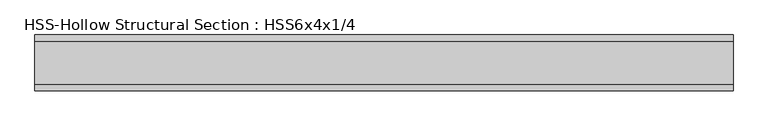
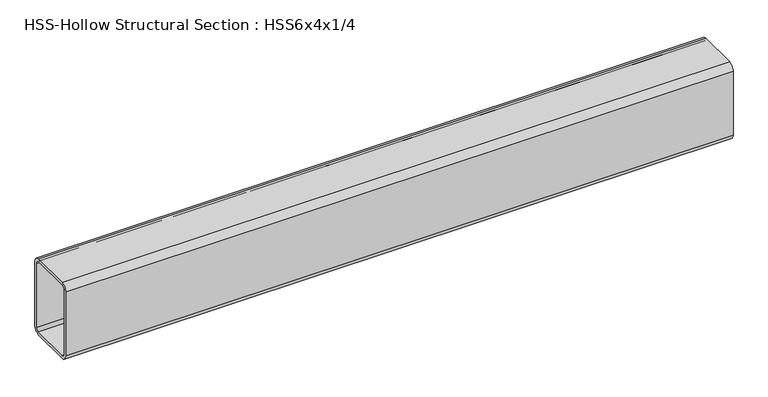
"""IFC4 building model written with IfcOpenShell, lengths in millimetres: beam geometry, HSS-Hollow Structural Section : HSS6x4x1/4."""

from ifc_helpers import new_model, si_unit, point, frame, frame_2d, origin, place, context, project, spatial, polyline, circle_curve, trimmed, segment, composite_curve, outline, extrude, source, transform, mapped, element, save


def hss_hollow_structural_section_hss6x4x1_4_33477af2(model_context):
    return source(origin(), model_context, "Body", "SweptSolid", [
        extrude(outline(composite_curve([segment(polyline([(50.8, 64.3636), (50.8, -64.3636)]), True, "CONTINUOUS"), segment(trimmed(circle_curve(frame_2d((38.9636, -64.3636)), 11.8364), [point((50.8, -64.3636))], [point((38.9636, -76.2))], False, "CARTESIAN"), True, "CONTINUOUS"), segment(polyline([(38.9636, -76.2), (-38.9636, -76.2)]), True, "CONTINUOUS"), segment(trimmed(circle_curve(frame_2d((-38.9636, -64.3636)), 11.8364), [point((-38.9636, -76.2))], [point((-50.8, -64.3636))], False, "CARTESIAN"), True, "CONTINUOUS"), segment(polyline([(-50.8, -64.3636), (-50.8, 64.3636)]), True, "CONTINUOUS"), segment(trimmed(circle_curve(frame_2d((-38.9636, 64.3636)), 11.8364), [point((-50.8, 64.3636))], [point((-38.9636, 76.2))], False, "CARTESIAN"), True, "CONTINUOUS"), segment(polyline([(-38.9636, 76.2), (38.9636, 76.2)]), True, "CONTINUOUS"), segment(trimmed(circle_curve(frame_2d((38.9636, 64.3636)), 11.8364), [point((38.9636, 76.2))], [point((50.8, 64.3636))], False, "CARTESIAN"), True, "CONTINUOUS")], self_intersect=False), holes=[composite_curve([segment(trimmed(circle_curve(frame_2d((-38.9636, 64.3636)), 5.9182), [point((-38.9636, 70.2818))], [point((-44.8818, 64.3636))], True, "CARTESIAN"), True, "CONTINUOUS"), segment(polyline([(-44.8818, 64.3636), (-44.8818, -64.3636)]), True, "CONTINUOUS"), segment(trimmed(circle_curve(frame_2d((-38.9636, -64.3636)), 5.9182), [point((-44.8818, -64.3636))], [point((-38.9636, -70.2818))], True, "CARTESIAN"), True, "CONTINUOUS"), segment(polyline([(-38.9636, -70.2818), (38.9636, -70.2818)]), True, "CONTINUOUS"), segment(trimmed(circle_curve(frame_2d((38.9636, -64.3636)), 5.9182), [point((38.9636, -70.2818))], [point((44.8818, -64.3636))], True, "CARTESIAN"), True, "CONTINUOUS"), segment(polyline([(44.8818, -64.3636), (44.8818, 64.3636)]), True, "CONTINUOUS"), segment(trimmed(circle_curve(frame_2d((38.9636, 64.3636)), 5.9182), [point((44.8818, 64.3636))], [point((38.9636, 70.2818))], True, "CARTESIAN"), True, "CONTINUOUS"), segment(polyline([(38.9636, 70.2818), (-38.9636, 70.2818)]), True, "CONTINUOUS")], self_intersect=False)]), frame((-673.862, 0.0, 0.0), z_axis=(1.0, 0.0, 0.0), x_axis=(0.0, 1.0, 0.0)), (0.0, 0.0, 1.0), 1270.762),
    ])


if __name__ == "__main__":
    model = new_model("IFC4")
    model_context = context("Model", 3, world=origin())
    ifc_project = project(units=[si_unit("LENGTHUNIT", "METRE", prefix="MILLI")], contexts=[model_context])
    site = spatial("IfcSite", under=ifc_project)
    building = spatial("IfcBuilding", under=site)
    placement = place(None, origin())
    hss_hollow_structural_section_hss6x4x1_4_shape = hss_hollow_structural_section_hss6x4x1_4_33477af2(model_context)
    element("IfcBeam", 1, ObjectType="HSS-Hollow Structural Section : HSS6x4x1/4", at=placement, inside=building, context=model_context, shape_type="MappedRepresentation", body=[
        mapped(hss_hollow_structural_section_hss6x4x1_4_shape, transform((0.0, 0.0, 0.0), x_axis=(1.0, 0.0, 0.0), y_axis=(0.0, 1.0, 0.0), z_axis=(0.0, 0.0, 1.0))),
    ])
    save(model, "model.ifc")
